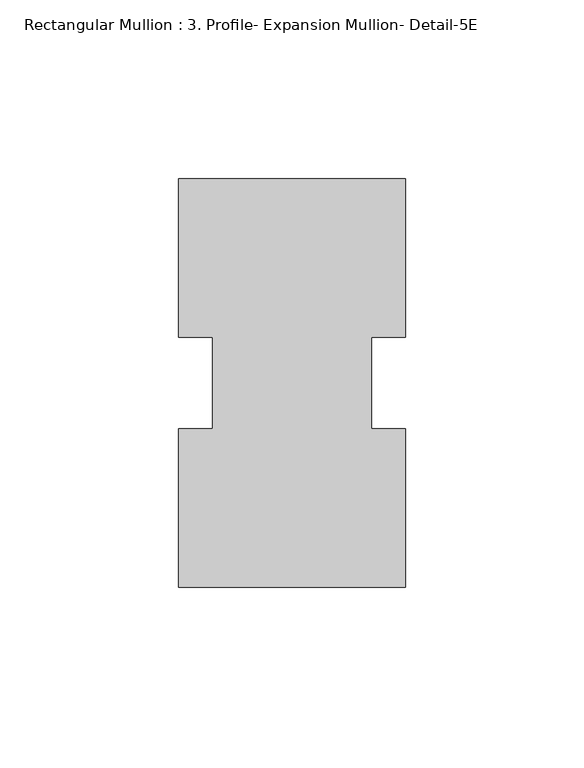
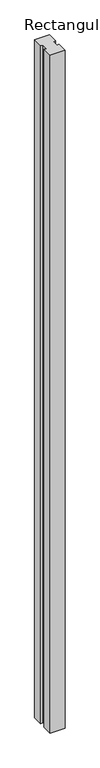
"""IFC4 building model written with IfcOpenShell, lengths in millimetres: member geometry, Rectangular Mullion : 3. Profile- Expansion Mullion- Detail-5E."""

import ifcopenshell
import ifcopenshell.guid

model = None  # the IFC model being written
_history = None  # IfcOwnerHistory: only IFC2X3 demands one
_inside = {}  # id of a spatial element -> (the spatial element, [elements in it])
_under = {}  # id of a project, library or spatial element -> (it, [spatial elements below it])
_declared = {}  # id of a project -> (the project, [libraries it declares])
_typed = {}  # id of a type object -> (the type object, [elements of that type])
_made_of = {}  # id of a material, layer set ... -> (it, [elements and type objects made of it])


def new_model(schema):
    """Start an empty IFC model of exactly this schema.

    Asked for "IFC4X3", IfcOpenShell would pick the latest addendum, in which some entities
    have other attributes; the version numbers below select the first issue.
    IFC2X3 requires an IfcOwnerHistory on every rooted entity: one is made here for all.
    """
    global model, _history
    if schema == "IFC4X3":
        model = ifcopenshell.file(schema_version=(4, 3, 0, 0))
    else:
        model = ifcopenshell.file(schema=schema)
    _inside.clear()
    _under.clear()
    _declared.clear()
    _typed.clear()
    _made_of.clear()
    _history = None
    if model.schema == "IFC2X3":
        org = make("IfcOrganization", Name="unknown")
        user = make(
            "IfcPersonAndOrganization",
            ThePerson=make("IfcPerson", FamilyName="unknown"),
            TheOrganization=org,
        )
        app = make(
            "IfcApplication",
            ApplicationDeveloper=org,
            Version="unknown",
            ApplicationFullName="unknown",
            ApplicationIdentifier="unknown",
        )
        _history = make(
            "IfcOwnerHistory",
            OwningUser=user,
            OwningApplication=app,
            ChangeAction="ADDED",
            CreationDate=0,
        )
    return model


def make(cls, **values):
    """One entity of the class cls with the attributes given. An attribute that is None is left unset."""
    return model.create_entity(
        cls, **{name: value for name, value in values.items() if value is not None}
    )


def rooted(cls, **values):
    """An entity with a GlobalId (a new one), such as an element, a storey or a relation."""
    return make(cls, GlobalId=ifcopenshell.guid.new(), OwnerHistory=_history, **values)


def si_unit(unit_type, name, prefix=None):
    """IfcSIUnit, for example si_unit("LENGTHUNIT", "METRE", prefix="MILLI")."""
    return make("IfcSIUnit", UnitType=unit_type, Prefix=prefix, Name=name)


def assignment(units):
    """IfcUnitAssignment: the units of a project."""
    return None if units is None else make("IfcUnitAssignment", Units=units)


def point(xyz):
    """IfcCartesianPoint."""
    return None if xyz is None else make("IfcCartesianPoint", Coordinates=xyz)


def direction(xyz):
    """IfcDirection."""
    return None if xyz is None else make("IfcDirection", DirectionRatios=xyz)


def frame(location, z_axis=None, x_axis=None):
    """IfcAxis2Placement3D, a coordinate frame: its origin and axes. An axis left out is left unset."""
    return make(
        "IfcAxis2Placement3D",
        Location=point(location),
        Axis=direction(z_axis),
        RefDirection=direction(x_axis),
    )


def origin():
    """The frame at (0, 0, 0) with its axes left unset."""
    return frame((0.0, 0.0, 0.0))


def place(relative_to, where):
    """IfcLocalPlacement: puts the frame where relative to a parent placement (None: the world)."""
    return make(
        "IfcLocalPlacement", PlacementRelTo=relative_to, RelativePlacement=where
    )


def context(
    kind, dimensions, precision=None, world=None, true_north=None, identifier=None
):
    """IfcGeometricRepresentationContext, for example the 3D "Model" context."""
    return make(
        "IfcGeometricRepresentationContext",
        ContextIdentifier=identifier,
        ContextType=kind,
        CoordinateSpaceDimension=dimensions,
        Precision=precision,
        WorldCoordinateSystem=world,
        TrueNorth=true_north,
    )


def project(units=None, contexts=None):
    """IfcProject with its units and contexts."""
    return rooted(
        "IfcProject",
        Name="project",
        RepresentationContexts=contexts,
        UnitsInContext=assignment(units),
    )


def spatial(cls, under=None, at=None, **own):
    """A site, building, storey or space (cls), placed at a placement, below another one or the project."""
    s = rooted(cls, ObjectPlacement=at, **own)
    if under is not None:
        _under.setdefault(under.id(), (under, []))[1].append(s)
    return s


def polyline(points):
    """IfcPolyline through the points."""
    return make("IfcPolyline", Points=[point(p) for p in points])


def outline(outer, holes=None, kind="AREA"):
    """IfcArbitraryClosedProfileDef: a profile drawn as a closed curve; with holes, ...WithVoids."""
    if holes is None:
        return make("IfcArbitraryClosedProfileDef", ProfileType=kind, OuterCurve=outer)
    return make(
        "IfcArbitraryProfileDefWithVoids",
        ProfileType=kind,
        OuterCurve=outer,
        InnerCurves=holes,
    )


def extrude(swept, where, along, depth):
    """IfcExtrudedAreaSolid: the profile swept, set in the frame where, extruded along a direction by depth."""
    return make(
        "IfcExtrudedAreaSolid",
        SweptArea=swept,
        Position=where,
        ExtrudedDirection=direction(along),
        Depth=depth,
    )


def shape(context_of_items, identifier, shape_type, items):
    """IfcShapeRepresentation: the items that make up one representation, for example the "Body"."""
    return make(
        "IfcShapeRepresentation",
        ContextOfItems=context_of_items,
        RepresentationIdentifier=identifier,
        RepresentationType=shape_type,
        Items=items,
    )


def source(mapping_origin, context_of_items, identifier, shape_type, items):
    """IfcRepresentationMap: a shape defined once, which mapped items show again and again."""
    return make(
        "IfcRepresentationMap",
        MappingOrigin=mapping_origin,
        MappedRepresentation=shape(context_of_items, identifier, shape_type, items),
    )


def transform(
    local_origin,
    x_axis=None,
    y_axis=None,
    z_axis=None,
    scale=None,
    scale2=None,
    scale3=None,
    uniform=True,
):
    """IfcCartesianTransformationOperator3D, or its non-uniform kind. x_axis, y_axis, z_axis: its Axis1, 2, 3."""
    if uniform:
        return make(
            "IfcCartesianTransformationOperator3D",
            Axis1=direction(x_axis),
            Axis2=direction(y_axis),
            LocalOrigin=point(local_origin),
            Scale=scale,
            Axis3=direction(z_axis),
        )
    return make(
        "IfcCartesianTransformationOperator3DnonUniform",
        Axis1=direction(x_axis),
        Axis2=direction(y_axis),
        LocalOrigin=point(local_origin),
        Scale=scale,
        Axis3=direction(z_axis),
        Scale2=scale2,
        Scale3=scale3,
    )


def mapped(mapping_source, mapping_target):
    """IfcMappedItem: shows the shape of a source again, moved by a transform."""
    return make(
        "IfcMappedItem", MappingSource=mapping_source, MappingTarget=mapping_target
    )


def made_of(thing, what):
    """Note that an element or type object is made of a material, layer set ...; save() writes the relation."""
    if what is not None:
        _made_of.setdefault(what.id(), (what, []))[1].append(thing)
    return thing


def element(
    cls,
    number,
    at=None,
    inside=None,
    cuts=None,
    type_object=None,
    material=None,
    context=None,
    identifier="Body",
    shape_type=None,
    held_by="IfcProductDefinitionShape",
    body=None,
    shapes=None,
    **own,
):
    """One element of the class cls, such as IfcWall. Its Tag is "e" and its number.

    at: its placement. inside: the storey or other place that contains it. cuts: it is an
    opening in that element (IfcRelVoidsElement). A single representation is given by context,
    identifier, shape_type and body (its items); several are given by shapes. held_by: the class
    of the entity that holds the representations. save() writes the other relations.
    """
    e = rooted(cls, Tag="e%d" % number, ObjectPlacement=at, **own)
    if body is not None:
        shapes = [shape(context, identifier, shape_type, body)]
    if shapes is not None:
        e.Representation = make(held_by, Representations=shapes)
    if inside is not None:
        _inside.setdefault(inside.id(), (inside, []))[1].append(e)
    if cuts is not None:
        rooted(
            "IfcRelVoidsElement", RelatingBuildingElement=cuts, RelatedOpeningElement=e
        )
    if type_object is not None:
        _typed.setdefault(type_object.id(), (type_object, []))[1].append(e)
    return made_of(e, material)


def aggregate(whole, parts):
    """IfcRelAggregates: a whole, such as a stair, and the parts it consists of."""
    return rooted("IfcRelAggregates", RelatingObject=whole, RelatedObjects=parts)


def save(model, path):
    """Write the relations noted so far, then the file.

    IfcRelAggregates (storeys below a building ...), IfcRelContainedInSpatialStructure (elements
    in a storey), IfcRelDefinesByType, IfcRelAssociatesMaterial and IfcRelDeclares: one each for
    every whole, place, type object, material and project.
    """
    for whole, parts in _under.values():
        aggregate(whole, parts)
    for where, things in _inside.values():
        rooted(
            "IfcRelContainedInSpatialStructure",
            RelatedElements=things,
            RelatingStructure=where,
        )
    for kind, things in _typed.values():
        rooted("IfcRelDefinesByType", RelatedObjects=things, RelatingType=kind)
    for what, things in _made_of.values():
        rooted("IfcRelAssociatesMaterial", RelatedObjects=things, RelatingMaterial=what)
    for by, libraries in _declared.values():
        rooted("IfcRelDeclares", RelatingContext=by, RelatedDefinitions=libraries)
    model.write(path)


def rectangular_mullion_3_profile_expansion_mullion_detail_5e_c7bef3f8(model_context):
    return source(origin(), model_context, "Body", "SweptSolid", [
        extrude(outline(polyline([(31.75, -36.5195417), (31.75, -80.9695417), (-31.75, -80.9695417), (-31.75, -36.5195417), (-22.225, -36.5195417), (-22.225, -11.0318434), (-31.75, -11.0318434), (-31.75, 33.3630905), (31.75, 33.3630905), (31.75, -11.0318434), (22.225, -11.0318434), (22.225, -36.5195417), (31.75, -36.5195417)])), frame((0.0, 0.0, -3048.0), z_axis=(0.0, 0.0, 1.0), x_axis=(1.0, 0.0, 0.0)), (0.0, 0.0, 1.0), 3048.0),
    ])


if __name__ == "__main__":
    model = new_model("IFC4")
    model_context = context("Model", 3, world=origin())
    ifc_project = project(units=[si_unit("LENGTHUNIT", "METRE", prefix="MILLI")], contexts=[model_context])
    site = spatial("IfcSite", under=ifc_project)
    building = spatial("IfcBuilding", under=site)
    placement = place(None, origin())
    rectangular_mullion_3_profile_expansion_mullion_detail_5e_shape = rectangular_mullion_3_profile_expansion_mullion_detail_5e_c7bef3f8(model_context)
    element("IfcMember", 1, ObjectType="Rectangular Mullion : 3. Profile- Expansion Mullion- Detail-5E", at=placement, inside=building, context=model_context, shape_type="MappedRepresentation", body=[
        mapped(rectangular_mullion_3_profile_expansion_mullion_detail_5e_shape, transform((0.0, 0.0, 0.0), x_axis=(1.0, 0.0, 0.0), y_axis=(0.0, 1.0, 0.0), z_axis=(0.0, 0.0, 1.0))),
    ])
    save(model, "model.ifc")
